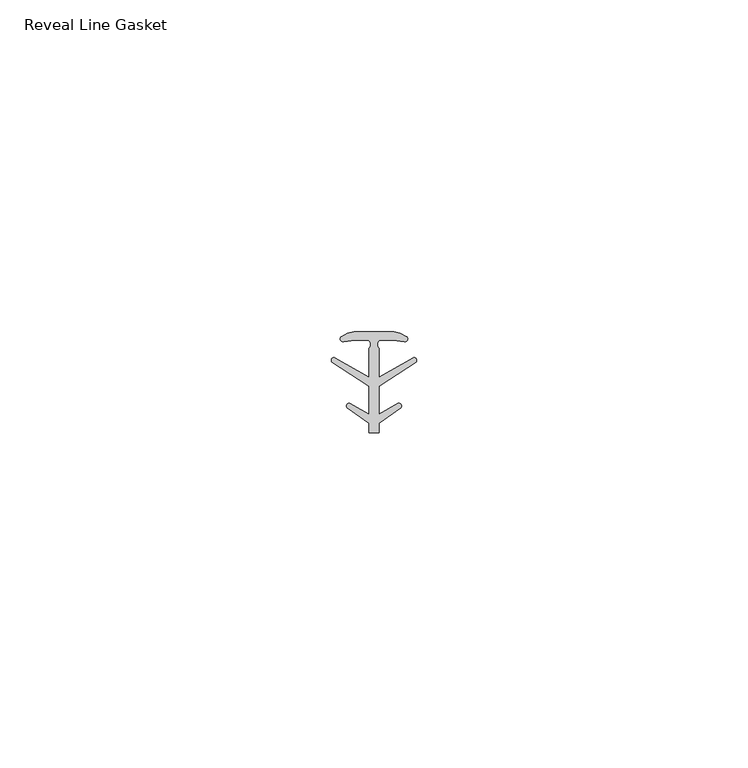
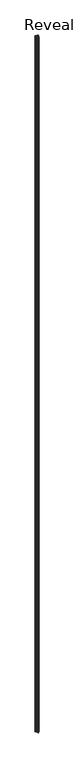
"""IFC4 building model written with IfcOpenShell, lengths in millimetres: furniture geometry, Reveal Line Gasket."""

from ifc_helpers import new_model, si_unit, point, frame_2d, origin, origin_with_axes, place, context, project, spatial, polyline, circle_curve, trimmed, segment, composite_curve, outline, extrude, source, transform, mapped, element, save


def reveal_line_gasket_183364cb(model_context):
    return source(origin(), model_context, "Body", "SweptSolid", [
        extrude(outline(composite_curve([segment(polyline([(2.999107, 7.6326998), (3.9545998, 7.4091917), (4.8875754, 6.8813059)]), True, "CONTINUOUS"), segment(trimmed(circle_curve(frame_2d((4.6855864, 6.5243141)), 0.4101739), [point((4.8875754, 6.8813059))], [point((4.5932418, 6.1246704))], False, "CARTESIAN"), True, "CONTINUOUS"), segment(polyline([(4.5932418, 6.1246704), (2.8970156, 6.3626997), (0.8645598, 6.3626997)]), True, "CONTINUOUS"), segment(trimmed(circle_curve(frame_2d((1.2810328, 5.6959605)), 0.786124), [point((0.8645598, 6.3626997))], [point((0.7769821, 5.0926996))], True, "CARTESIAN"), True, "CONTINUOUS"), segment(polyline([(0.7769821, 5.0926996), (0.7769821, 0.7492996), (5.9386365, 3.7293824)]), True, "CONTINUOUS"), segment(trimmed(circle_curve(frame_2d((6.0040832, 3.3132479)), 0.4212495), [point((5.9386365, 3.7293824))], [point((6.3317429, 3.0485022))], False, "CARTESIAN"), True, "CONTINUOUS"), segment(polyline([(6.3317429, 3.0485022), (0.7769821, -0.5742594), (0.7769821, -4.8262978), (3.6526367, -3.1660374)]), True, "CONTINUOUS"), segment(trimmed(circle_curve(frame_2d((3.7109925, -3.5978728)), 0.4357605), [point((3.6526367, -3.1660374))], [point((4.0557951, -3.864328))], False, "CARTESIAN"), True, "CONTINUOUS"), segment(polyline([(4.0557951, -3.864328), (0.7769821, -6.1944059), (0.7769821, -7.6326998), (-0.778768, -7.6326998), (-0.778768, -6.1944059), (-4.0575811, -3.864328)]), True, "CONTINUOUS"), segment(trimmed(circle_curve(frame_2d((-3.7127785, -3.5978728)), 0.4357605), [point((-4.0575811, -3.864328))], [point((-3.6544226, -3.1660374))], False, "CARTESIAN"), True, "CONTINUOUS"), segment(polyline([(-3.6544226, -3.1660374), (-0.778768, -4.8262978), (-0.778768, -0.5742594), (-6.3335288, 3.0485022)]), True, "CONTINUOUS"), segment(trimmed(circle_curve(frame_2d((-6.0058691, 3.3132479)), 0.4212495), [point((-6.3335288, 3.0485022))], [point((-5.9404224, 3.7293824))], False, "CARTESIAN"), True, "CONTINUOUS"), segment(polyline([(-5.9404224, 3.7293824), (-0.778768, 0.7492996), (-0.778768, 5.0926996)]), True, "CONTINUOUS"), segment(trimmed(circle_curve(frame_2d((-1.2828188, 5.6959605)), 0.786124), [point((-0.778768, 5.0926996))], [point((-0.8663457, 6.3626997))], True, "CARTESIAN"), True, "CONTINUOUS"), segment(polyline([(-0.8663457, 6.3626997), (-2.8988015, 6.3626997), (-4.5950277, 6.1246704)]), True, "CONTINUOUS"), segment(trimmed(circle_curve(frame_2d((-4.6873723, 6.5243141)), 0.4101739), [point((-4.5950277, 6.1246704))], [point((-4.8893614, 6.8813059))], False, "CARTESIAN"), True, "CONTINUOUS"), segment(polyline([(-4.8893614, 6.8813059), (-3.9563857, 7.4091917), (-3.000893, 7.6326998), (2.999107, 7.6326998)]), True, "CONTINUOUS")], self_intersect=False)), origin_with_axes(), (0.0, 0.0, 1.0), 3048.0),
    ])


if __name__ == "__main__":
    model = new_model("IFC4")
    model_context = context("Model", 3, world=origin())
    ifc_project = project(units=[si_unit("LENGTHUNIT", "METRE", prefix="MILLI")], contexts=[model_context])
    site = spatial("IfcSite", under=ifc_project)
    building = spatial("IfcBuilding", under=site)
    placement = place(None, origin())
    reveal_line_gasket_shape = reveal_line_gasket_183364cb(model_context)
    element("IfcFurniture", 1, ObjectType="Reveal Line Gasket", at=placement, inside=building, context=model_context, shape_type="MappedRepresentation", body=[
        mapped(reveal_line_gasket_shape, transform((0.0, 0.0, 0.0), x_axis=(1.0, 0.0, 0.0), y_axis=(0.0, 1.0, 0.0), z_axis=(0.0, 0.0, 1.0))),
    ])
    save(model, "model.ifc")
